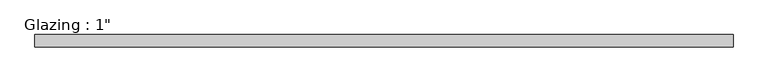
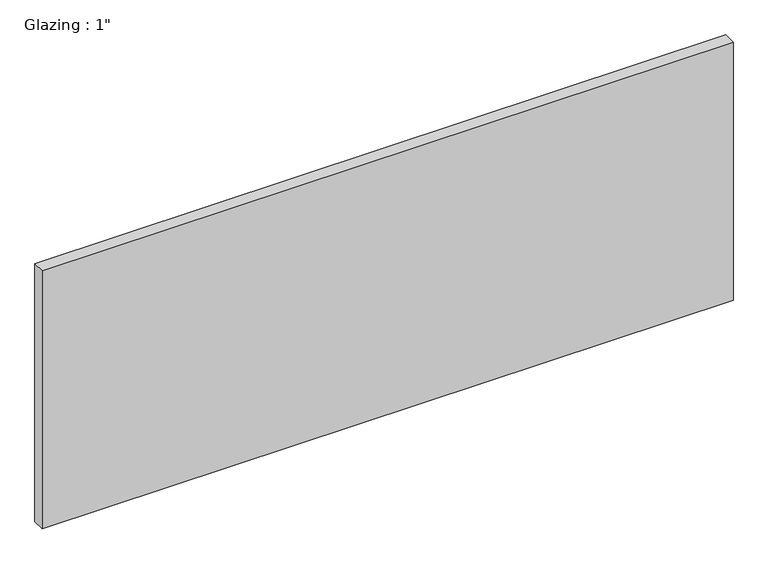
"""IFC4 building model written with IfcOpenShell, lengths in millimetres: plate geometry."""

from ifc_helpers import new_model, si_unit, origin, origin_with_axes, place, context, project, spatial, polyline, outline, extrude, source, transform, mapped, element, save


def plate_945676f6(model_context):
    return source(origin(), model_context, "Body", "SweptSolid", [
        extrude(outline(polyline([(709.0776675, -12.7), (-709.0776675, -12.7), (-709.0776675, 12.7), (709.0776675, 12.7), (709.0776675, -12.7)])), origin_with_axes(), (0.0, 0.0, 1.0), 560.0039722),
    ])


if __name__ == "__main__":
    model = new_model("IFC4")
    model_context = context("Model", 3, world=origin())
    ifc_project = project(units=[si_unit("LENGTHUNIT", "METRE", prefix="MILLI")], contexts=[model_context])
    site = spatial("IfcSite", under=ifc_project)
    building = spatial("IfcBuilding", under=site)
    placement = place(None, origin())
    plate_shape = plate_945676f6(model_context)
    element("IfcPlate", 1, ObjectType="Glazing : 1\"", at=placement, inside=building, context=model_context, shape_type="MappedRepresentation", body=[
        mapped(plate_shape, transform((0.0, 0.0, 0.0), x_axis=(1.0, 0.0, 0.0), y_axis=(0.0, 1.0, 0.0), z_axis=(0.0, 0.0, 1.0))),
    ])
    save(model, "model.ifc")
